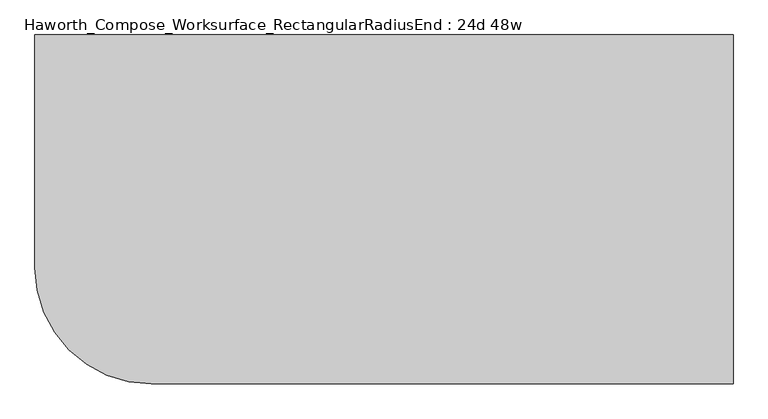
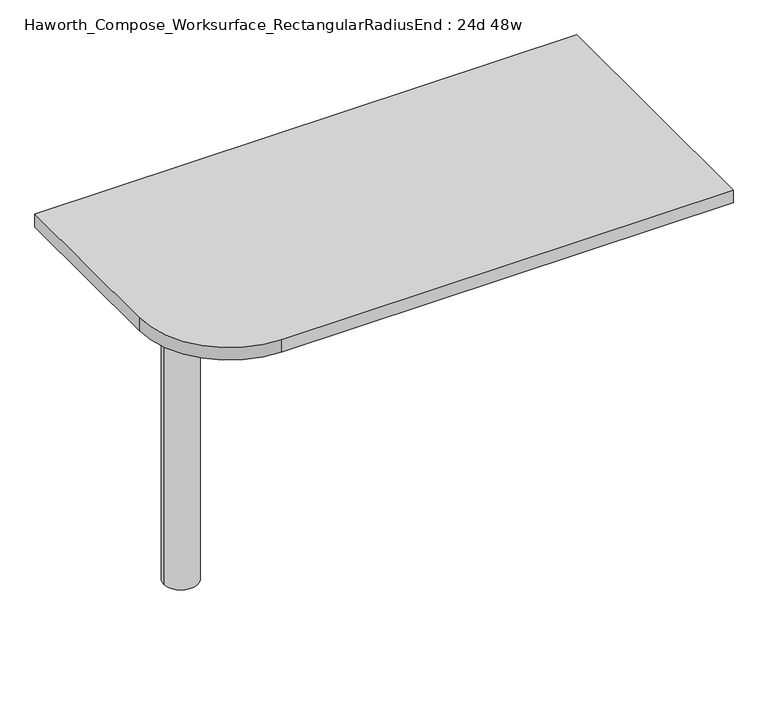
"""IFC4 building model written with IfcOpenShell, lengths in millimetres: furniture geometry, Haworth_Compose_Worksurface_RectangularRadiusEnd : 24d 48w."""

from ifc_helpers import new_model, si_unit, point, frame, frame_2d, origin, place, context, project, spatial, polyline, circle_curve, trimmed, segment, composite_curve, outline, extrude, source, transform, mapped, element, save
from ifc_brep_helpers import plane_surface, cylinder_surface, revolved_surface, advanced_brep


def haworth_compose_worksurface_rectangularradiusend_24d_48w_3b0e8874(model_context):
    return source(origin(), model_context, "Body", "SolidModel", [
        advanced_brep(
        [(604.04375, 304.8, 475.45625), (604.04375, 288.925, 475.45625), (604.04375, -101.6, 691.7192568), (604.04375, -101.6, 704.05625), (604.04375, 288.925, 704.05625), (604.04375, 304.8, 704.05625), (604.04375, 221.490072, 665.95625), (604.04375, 177.8355284, 665.95625), (604.04375, 175.1564235, 656.3705539), (604.04375, 266.8776173, 605.5776439), (604.04375, 276.225, 611.1756969), (604.04375, 276.225, 634.6860246), (604.04375, 274.4730055, 637.5242776), (604.04375, 224.5663437, 665.1613425), (606.425, 304.8, 475.45625), (606.425, 304.8, 704.05625), (606.425, 288.925, 704.05625), (606.425, 288.925, 706.4375), (606.425, -101.6, 706.4375), (606.425, -101.6, 691.7192568), (606.425, 288.925, 475.45625), (606.425, 221.490072, 665.95625), (606.425, 224.5663437, 665.1613425), (606.425, 274.4730055, 637.5242776), (606.425, 276.225, 634.6860246), (606.425, 276.225, 611.1756969), (606.425, 266.8776173, 605.5776439), (606.425, 175.1564235, 656.3705539), (606.425, 177.8355284, 665.95625), (565.15, -101.6, 706.4375), (565.15, -101.6, 704.05625), (565.15, 288.925, 704.05625), (565.15, 288.925, 706.4375)],
        [
            (0, 1),
            (1, 2),
            (2, 3),
            (3, 4),
            (4, 5),
            (5, 0),
            (6, 7),
            (7, 8, circle_curve(frame((604.04375, 177.8355284, 660.7890106), z_axis=(1.0, 0.0, 0.0), x_axis=(0.0, -1.0, 0.0)), 5.1672394)),
            (8, 9),
            (9, 10, circle_curve(frame((604.04375, 269.875, 611.1756969), z_axis=(1.0, 0.0, 0.0), x_axis=(0.0, -1.0, 0.0)), 6.35)),
            (10, 11),
            (11, 12, circle_curve(frame((604.04375, 273.05, 634.6860246), z_axis=(1.0, 0.0, 0.0), x_axis=(0.0, -1.0, 0.0)), 3.175)),
            (12, 13),
            (13, 6, circle_curve(frame((604.04375, 221.490072, 659.60625), z_axis=(1.0, 0.0, 0.0), x_axis=(0.0, -1.0, 0.0)), 6.35)),
            (14, 15),
            (15, 16),
            (16, 17),
            (17, 18),
            (18, 19),
            (19, 20),
            (20, 14),
            (21, 22, circle_curve(frame((606.425, 221.490072, 659.60625), z_axis=(-1.0, 0.0, 0.0), x_axis=(0.0, -1.0, 0.0)), 6.35)),
            (22, 23),
            (23, 24, circle_curve(frame((606.425, 273.05, 634.6860246), z_axis=(-1.0, 0.0, 0.0), x_axis=(0.0, -1.0, 0.0)), 3.175)),
            (24, 25),
            (25, 26, circle_curve(frame((606.425, 269.875, 611.1756969), z_axis=(-1.0, 0.0, 0.0), x_axis=(0.0, -1.0, 0.0)), 6.35)),
            (26, 27),
            (27, 28, circle_curve(frame((606.425, 177.8355284, 660.7890106), z_axis=(-1.0, 0.0, 0.0), x_axis=(0.0, -1.0, 0.0)), 5.1672394)),
            (28, 21),
            (4, 16),
            (15, 5),
            (14, 0),
            (20, 1),
            (19, 2),
            (18, 29),
            (29, 30),
            (30, 3),
            (6, 21),
            (28, 7),
            (9, 26),
            (25, 10),
            (24, 11),
            (23, 12),
            (27, 8),
            (31, 4),
            (30, 31),
            (32, 29),
            (17, 32),
            (31, 32),
            (22, 13),
        ],
        [
            plane_surface(frame((604.04375, 304.8, 475.45625), z_axis=(-1.0, 0.0, 0.0), x_axis=(0.0, 1.0, 0.0))),
            plane_surface(frame((606.425, 304.8, 475.45625), z_axis=(1.0, 0.0, 0.0), x_axis=(0.0, -1.0, 0.0))),
            plane_surface(frame((606.425, -101.6, 704.05625), z_axis=(0.0, 0.0, 1.0), x_axis=(-1.0, 0.0, 0.0))),
            plane_surface(frame((606.425, 304.8, 704.05625), z_axis=(0.0, 1.0, 0.0), x_axis=(-1.0, 0.0, 0.0))),
            plane_surface(frame((606.425, 304.8, 475.45625), z_axis=(0.0, 0.0, -1.0), x_axis=(-1.0, 0.0, 0.0))),
            plane_surface(frame((606.425, 288.925, 475.45625), z_axis=(0.0, -0.48445223513455843, -0.8748177135112952), x_axis=(-1.0, 0.0, 0.0))),
            plane_surface(frame((606.425, -101.6, 691.7192568), z_axis=(0.0, -1.0, 0.0), x_axis=(-1.0, 0.0, 0.0))),
            plane_surface(frame((606.425, 221.490072, 665.95625), z_axis=(0.0, 0.0, -1.0), x_axis=(-1.0, 0.0, 0.0))),
            revolved_surface(polyline([(604.04375, 263.525, 611.1756969), (606.425, 263.525, 611.1756969)]), (606.425, 269.875, 611.1756969), (-1.0, 0.0, 0.0)),
            plane_surface(frame((606.425, 276.225, 611.1756969), z_axis=(0.0, -1.0, 0.0), x_axis=(-1.0, 0.0, 0.0))),
            revolved_surface(polyline([(604.04375, 269.875, 634.6860246), (606.425, 269.875, 634.6860246)]), (606.425, 273.05, 634.6860246), (-1.0, 0.0, 0.0)),
            revolved_surface(polyline([(604.04375, 172.668289, 660.7890106), (606.425, 172.668289, 660.7890106)]), (606.425, 177.8355284, 660.7890106), (-1.0, 0.0, 0.0)),
            plane_surface(frame((606.425, 288.925, 704.05625), z_axis=(0.0, 0.0, -1.0), x_axis=(-1.0, 0.0, 0.0))),
            plane_surface(frame((606.425, 288.925, 706.4375), z_axis=(0.0, 0.0, 1.0), x_axis=(1.0, 0.0, 0.0))),
            plane_surface(frame((565.15, 288.925, 706.4375), z_axis=(0.0, 1.0, 0.0), x_axis=(0.0, 0.0, -1.0))),
            plane_surface(frame((565.15, -101.6, 706.4375), z_axis=(-1.0, 0.0, 0.0), x_axis=(0.0, 0.0, -1.0))),
            plane_surface(frame((606.425, 175.1564235, 656.3705539), z_axis=(0.0, 0.4844522351345583, 0.8748177135112953), x_axis=(-1.0, 0.0, 0.0))),
            plane_surface(frame((606.425, 274.4730055, 637.5242776), z_axis=(0.0, -0.4844522351345582, -0.8748177135112953), x_axis=(-1.0, 0.0, 0.0))),
            revolved_surface(polyline([(604.04375, 215.140072, 659.60625), (606.425, 215.140072, 659.60625)]), (606.425, 221.490072, 659.60625), (-1.0, 0.0, 0.0)),
        ],
        [
            (0, [[1, 2, 3, 4, 5, 6], [7, 8, 9, 10, 11, 12, 13, 14]]),
            (1, [[15, 16, 17, 18, 19, 20, 21], [22, 23, 24, 25, 26, 27, 28, 29]]),
            (2, [[-5, 30, -16, 31]]),
            (3, [[-31, -15, 32, -6]]),
            (4, [[-32, -21, 33, -1]]),
            (5, [[-33, -20, 34, -2]]),
            (6, [[-34, -19, 35, 36, 37, -3]]),
            (7, [[38, -29, 39, -7]]),
            (8, [[40, -26, 41, -10]]),
            (9, [[-41, -25, 42, -11]]),
            (10, [[-42, -24, 43, -12]]),
            (11, [[-39, -28, 44, -8]]),
            (12, [[45, -4, -37, 46]]),
            (13, [[47, -35, -18, 48]]),
            (14, [[-17, -30, -45, 49, -48]]),
            (15, [[-36, -47, -49, -46]]),
            (16, [[-44, -27, -40, -9]]),
            (17, [[-43, -23, 50, -13]]),
            (18, [[-50, -22, -38, -14]]),
        ],
    ),
        advanced_brep(
        [(-419.1, 0.0, 706.4375), (-495.3, 0.0, 706.4375), (-457.2, 0.0, 706.4375), (-419.1, 0.0, 0.0), (-495.3, 0.0, 0.0), (-457.2, 0.0, 0.0)],
        [
            (0, 1, circle_curve(frame((-457.2, 0.0, 706.4375), z_axis=(0.0, 0.0, 1.0), x_axis=(-1.0, 0.0, 0.0)), 38.1)),
            (1, 2),
            (2, 0),
            (1, 0, circle_curve(frame((-457.2, 0.0, 706.4375), z_axis=(0.0, 0.0, 1.0), x_axis=(-1.0, 0.0, 0.0)), 38.1)),
            (3, 4, circle_curve(frame((-457.2, 0.0, 0.0), z_axis=(0.0, 0.0, 1.0), x_axis=(-1.0, 0.0, 0.0)), 38.1)),
            (4, 1),
            (0, 3),
            (4, 3, circle_curve(frame((-457.2, 0.0, 0.0), z_axis=(0.0, 0.0, 1.0), x_axis=(-1.0, 0.0, 0.0)), 38.1)),
            (5, 4),
            (3, 5),
        ],
        [
            plane_surface(frame((-457.2, 0.0, 706.4375), z_axis=(0.0, 0.0, 1.0), x_axis=(-1.0, 0.0, 0.0))),
            cylinder_surface(frame((-457.2, 0.0, 889.623257), z_axis=(0.0, 0.0, -1.0), x_axis=(-1.0, 0.0, 0.0)), 38.1),
            plane_surface(frame((-457.2, 0.0, 0.0), z_axis=(0.0, 0.0, -1.0), x_axis=(-1.0, 0.0, 0.0))),
        ],
        [
            (0, [[1, 2, 3]]),
            (0, [[4, -3, -2]]),
            (1, [[5, 6, -1, 7]]),
            (1, [[8, -7, -4, -6]]),
            (2, [[9, -5, 10]]),
            (2, [[-10, -8, -9]]),
        ],
    ),
        extrude(outline(composite_curve([segment(polyline([(609.6, 304.8), (609.6, -304.8), (-406.4, -304.8)]), True, "CONTINUOUS"), segment(trimmed(circle_curve(frame_2d((-406.4, -101.6)), 203.2), [point((-406.4, -304.8))], [point((-609.6, -101.6))], False, "CARTESIAN"), True, "CONTINUOUS"), segment(polyline([(-609.6, -101.6), (-609.6, 304.8), (609.6, 304.8)]), True, "CONTINUOUS")], self_intersect=False)), frame((0.0, 0.0, 706.4375), z_axis=(0.0, 0.0, 1.0), x_axis=(1.0, 0.0, 0.0)), (0.0, 0.0, 1.0), 30.1625),
    ])


if __name__ == "__main__":
    model = new_model("IFC4")
    model_context = context("Model", 3, world=origin())
    ifc_project = project(units=[si_unit("LENGTHUNIT", "METRE", prefix="MILLI")], contexts=[model_context])
    site = spatial("IfcSite", under=ifc_project)
    building = spatial("IfcBuilding", under=site)
    placement = place(None, origin())
    haworth_compose_worksurface_rectangularradiusend_24d_48w_shape = haworth_compose_worksurface_rectangularradiusend_24d_48w_3b0e8874(model_context)
    element("IfcFurniture", 1, ObjectType="Haworth_Compose_Worksurface_RectangularRadiusEnd : 24d 48w", at=placement, inside=building, context=model_context, shape_type="MappedRepresentation", body=[
        mapped(haworth_compose_worksurface_rectangularradiusend_24d_48w_shape, transform((0.0, 0.0, 0.0), x_axis=(1.0, 0.0, 0.0), y_axis=(0.0, 1.0, 0.0), z_axis=(0.0, 0.0, 1.0))),
    ])
    save(model, "model.ifc")
